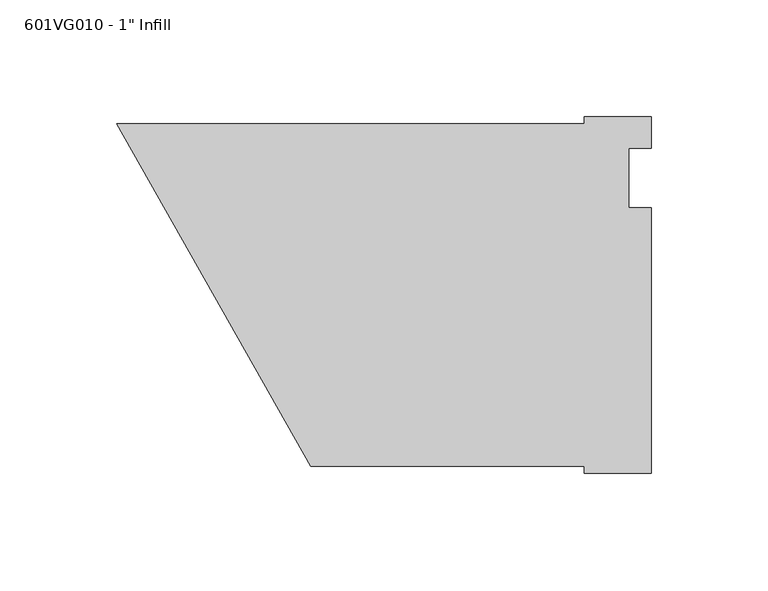
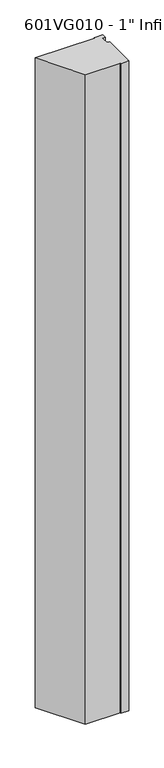
"""IFC4 building model written with IfcOpenShell, lengths in millimetres: proxy geometry."""

from ifc_helpers import new_model, si_unit, frame, origin, place, context, project, spatial, polyline, outline, extrude, source, transform, mapped, element, save


def proxy_0fd2295b(model_context):
    return source(origin(), model_context, "Body", "SweptSolid", [
        extrude(outline(polyline([(228.6, 26.19375), (228.6, 12.7), (219.075, 12.7), (219.075, -12.7), (228.6, -12.7), (228.6, -126.20625), (200.0711005, -126.20625), (200.0711005, -123.34875), (82.99038, -123.34875), (0.0, 23.33625), (199.9581978, 23.33625), (199.9581978, 26.19375), (228.6, 26.19375)])), frame((0.0, 0.0, 63.5), z_axis=(0.0, 0.0, 1.0), x_axis=(1.0, 0.0, 0.0)), (0.0, 0.0, 1.0), 2311.4),
    ])


if __name__ == "__main__":
    model = new_model("IFC4")
    model_context = context("Model", 3, world=origin())
    ifc_project = project(units=[si_unit("LENGTHUNIT", "METRE", prefix="MILLI")], contexts=[model_context])
    site = spatial("IfcSite", under=ifc_project)
    building = spatial("IfcBuilding", under=site)
    placement = place(None, origin())
    proxy_shape = proxy_0fd2295b(model_context)
    element("IfcBuildingElementProxy", 1, Name="601VG010 - 1\" Infill", ObjectType="601VG010 - 1\" Infill", at=placement, inside=building, context=model_context, shape_type="MappedRepresentation", body=[
        mapped(proxy_shape, transform((0.0, 0.0, 0.0), x_axis=(1.0, 0.0, 0.0), y_axis=(0.0, 1.0, 0.0), z_axis=(0.0, 0.0, 1.0))),
    ])
    save(model, "model.ifc")
